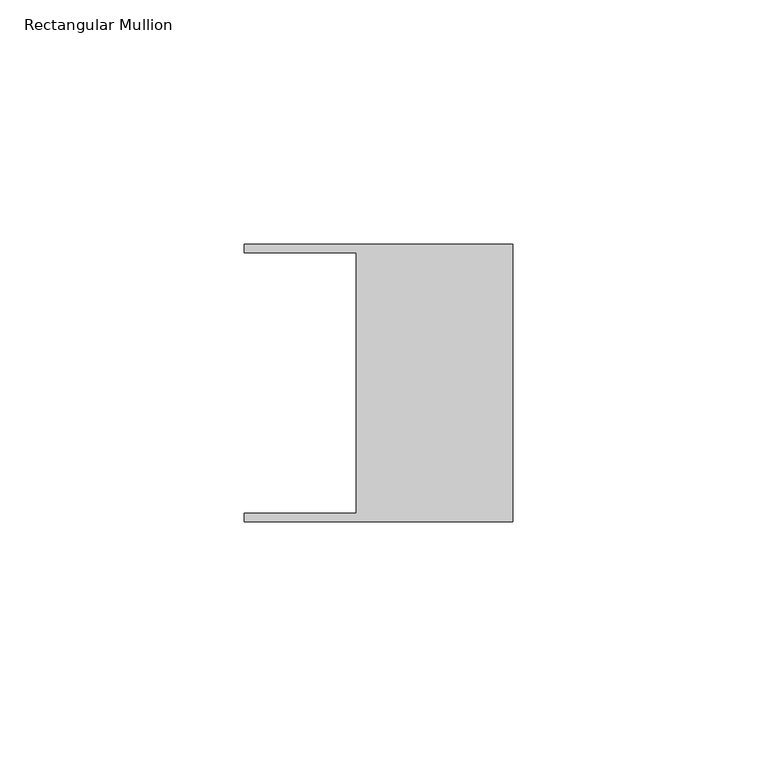
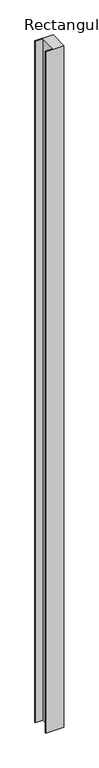
"""IFC4 building model written with IfcOpenShell, lengths in millimetres: member geometry, Rectangular Mullion."""

from ifc_helpers import new_model, si_unit, frame, origin, place, context, project, spatial, polyline, outline, extrude, source, transform, mapped, element, save


def rectangular_mullion_33cb34ce(model_context):
    return source(origin(), model_context, "Body", "SweptSolid", [
        extrude(outline(polyline([(-32.004, -26.67), (-32.004, 26.67), (-54.991, 26.67), (-54.991, 28.448), (0.0, 28.448), (0.0, -28.448), (-54.991, -28.448), (-54.991, -26.67), (-32.004, -26.67)])), frame((0.0, 0.0, -2184.4), z_axis=(0.0, 0.0, 1.0), x_axis=(1.0, 0.0, 0.0)), (0.0, 0.0, 1.0), 2184.4),
    ])


if __name__ == "__main__":
    model = new_model("IFC4")
    model_context = context("Model", 3, world=origin())
    ifc_project = project(units=[si_unit("LENGTHUNIT", "METRE", prefix="MILLI")], contexts=[model_context])
    site = spatial("IfcSite", under=ifc_project)
    building = spatial("IfcBuilding", under=site)
    placement = place(None, origin())
    rectangular_mullion_shape = rectangular_mullion_33cb34ce(model_context)
    element("IfcMember", 1, ObjectType="Rectangular Mullion", at=placement, inside=building, context=model_context, shape_type="MappedRepresentation", body=[
        mapped(rectangular_mullion_shape, transform((0.0, 0.0, 0.0), x_axis=(1.0, 0.0, 0.0), y_axis=(0.0, 1.0, 0.0), z_axis=(0.0, 0.0, 1.0))),
    ])
    save(model, "model.ifc")
